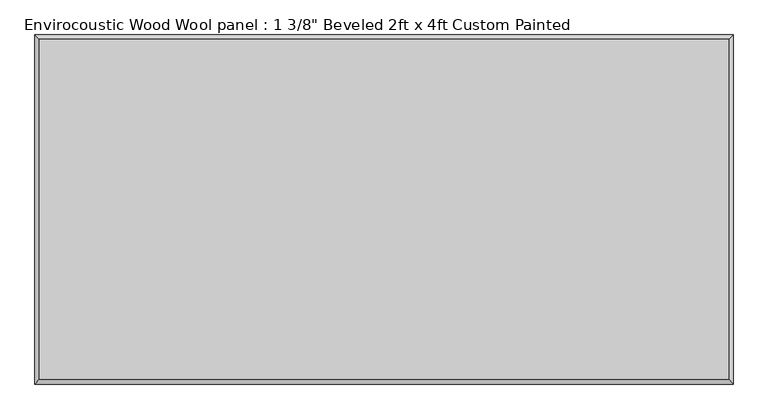
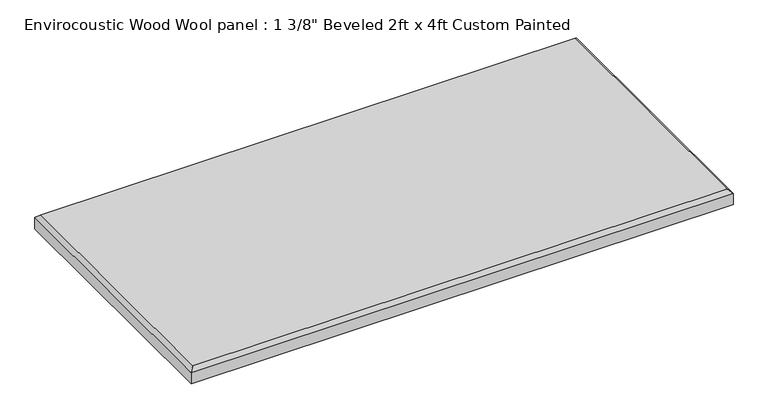
"""IFC4 building model written with IfcOpenShell, lengths in millimetres: proxy geometry."""

from ifc_helpers import new_model, si_unit, origin, place, context, project, spatial, faceted_brep, source, transform, mapped, element, save


def proxy_a7b44da7(model_context):
    return source(origin(), model_context, "Body", "Brep", [
        faceted_brep([(601.599, 296.799, 34.925), (-601.599, 296.799, 34.925), (-601.599, -296.799, 34.925), (601.599, -296.799, 34.925), (-609.6, 304.8, 0.0), (609.6, 304.8, 0.0), (609.6, -304.8, 0.0), (-609.6, -304.8, 0.0), (-609.6, -304.8, 26.924), (-609.6, 304.8, 26.924), (609.6, -304.8, 26.924), (609.6, 304.8, 26.924)], [[[0, 1, 2, 3]], [[4, 5, 6, 7]], [[4, 7, 8, 9]], [[7, 6, 10, 8]], [[6, 5, 11, 10]], [[5, 4, 9, 11]], [[9, 1, 0, 11]], [[1, 9, 8, 2]], [[2, 8, 10, 3]], [[11, 0, 3, 10]]]),
    ])


if __name__ == "__main__":
    model = new_model("IFC4")
    model_context = context("Model", 3, world=origin())
    ifc_project = project(units=[si_unit("LENGTHUNIT", "METRE", prefix="MILLI")], contexts=[model_context])
    site = spatial("IfcSite", under=ifc_project)
    building = spatial("IfcBuilding", under=site)
    placement = place(None, origin())
    proxy_shape = proxy_a7b44da7(model_context)
    element("IfcBuildingElementProxy", 1, Name="Envirocoustic Wood Wool panel : 1 3/8\" Beveled 2ft x 4ft Custom Painted", ObjectType="Envirocoustic Wood Wool panel : 1 3/8\" Beveled 2ft x 4ft Custom Painted", at=placement, inside=building, context=model_context, shape_type="MappedRepresentation", body=[
        mapped(proxy_shape, transform((0.0, 0.0, 0.0), x_axis=(1.0, 0.0, 0.0), y_axis=(0.0, 1.0, 0.0), z_axis=(0.0, 0.0, 1.0))),
    ])
    save(model, "model.ifc")
